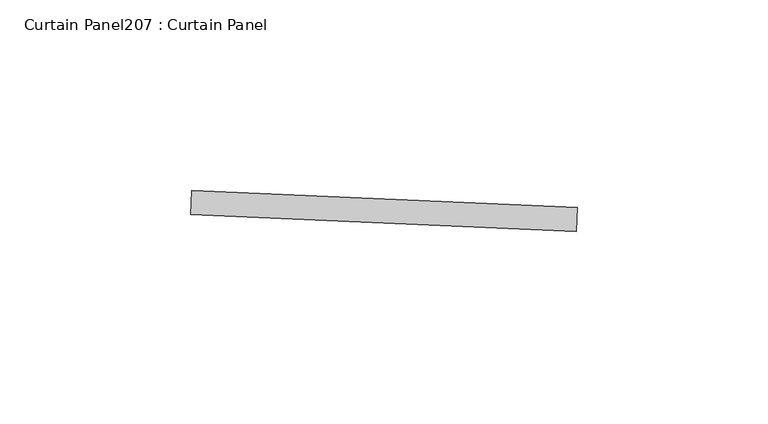
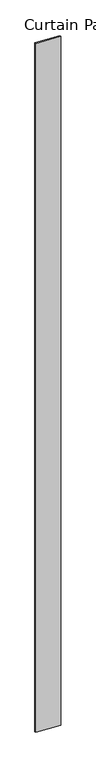
"""IFC4 building model written with IfcOpenShell, lengths in millimetres: plate geometry, Curtain Panel207 : Curtain Panel."""

from ifc_helpers import new_model, si_unit, frame, origin, place, context, project, spatial, polyline, outline, extrude, source, transform, mapped, element, save


def curtain_panel207_curtain_panel_afd0cebc(model_context):
    return source(origin(), model_context, "Body", "SweptSolid", [
        extrude(outline(polyline([(614564.0695087, 2429.5415863), (614665.1837103, 2425.126845), (614664.9067272, 2418.7828888), (614563.7925256, 2423.1976301), (614564.0695087, 2429.5415863)])), frame((0.0, 0.0, 4959.7989371), z_axis=(0.0, 0.0, 1.0), x_axis=(1.0, 0.0, 0.0)), (0.0, 0.0, 1.0), 3048.0),
    ])


if __name__ == "__main__":
    model = new_model("IFC4")
    model_context = context("Model", 3, world=origin())
    ifc_project = project(units=[si_unit("LENGTHUNIT", "METRE", prefix="MILLI")], contexts=[model_context])
    site = spatial("IfcSite", under=ifc_project)
    building = spatial("IfcBuilding", under=site)
    placement = place(None, origin())
    curtain_panel207_curtain_panel_shape = curtain_panel207_curtain_panel_afd0cebc(model_context)
    element("IfcPlate", 1, ObjectType="Curtain Panel207 : Curtain Panel", at=placement, inside=building, context=model_context, shape_type="MappedRepresentation", body=[
        mapped(curtain_panel207_curtain_panel_shape, transform((0.0, 0.0, 0.0), x_axis=(1.0, 0.0, 0.0), y_axis=(0.0, 1.0, 0.0), z_axis=(0.0, 0.0, 1.0))),
    ])
    save(model, "model.ifc")
